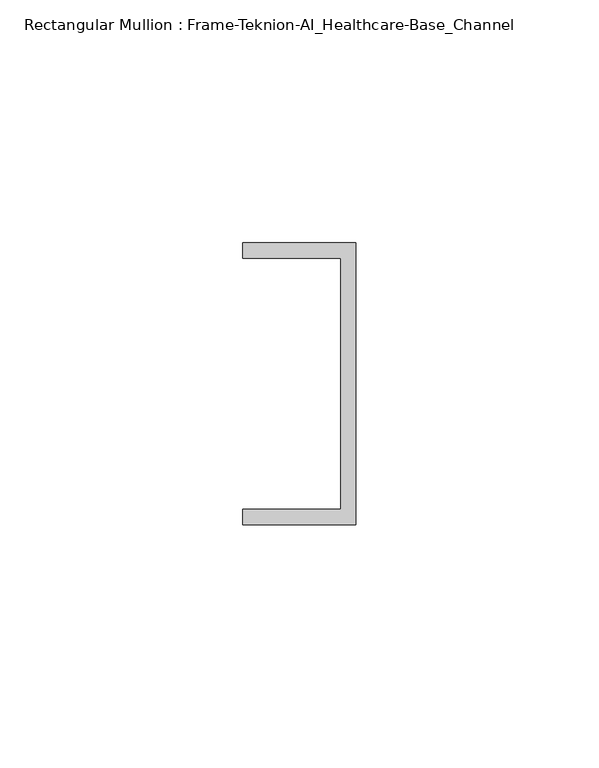
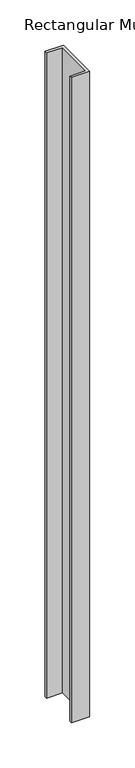
"""IFC4 building model written with IfcOpenShell, lengths in millimetres: member geometry, Rectangular Mullion : Frame-Teknion-AI_Healthcare-Base_Channel."""

from ifc_helpers import new_model, si_unit, frame, origin, place, context, project, spatial, polyline, outline, extrude, source, transform, mapped, element, save


def rectangular_mullion_frame_teknion_ai_healthcare_base_channel_430e7638(model_context):
    return source(origin(), model_context, "Body", "SweptSolid", [
        extrude(outline(polyline([(0.0, -29.0214844), (-23.3164063, -29.0214844), (-23.3164063, -25.8464844), (-3.175, -25.8464844), (-3.175, 25.8464844), (-23.3164063, 25.8464844), (-23.3164063, 29.0214844), (0.0, 29.0214844), (0.0, -29.0214844)])), frame((0.0, 0.0, -869.5877472), z_axis=(0.0, 0.0, 1.0), x_axis=(1.0, 0.0, 0.0)), (0.0, 0.0, 1.0), 869.5877472),
    ])


if __name__ == "__main__":
    model = new_model("IFC4")
    model_context = context("Model", 3, world=origin())
    ifc_project = project(units=[si_unit("LENGTHUNIT", "METRE", prefix="MILLI")], contexts=[model_context])
    site = spatial("IfcSite", under=ifc_project)
    building = spatial("IfcBuilding", under=site)
    placement = place(None, origin())
    rectangular_mullion_frame_teknion_ai_healthcare_base_channel_shape = rectangular_mullion_frame_teknion_ai_healthcare_base_channel_430e7638(model_context)
    element("IfcMember", 1, ObjectType="Rectangular Mullion : Frame-Teknion-AI_Healthcare-Base_Channel", at=placement, inside=building, context=model_context, shape_type="MappedRepresentation", body=[
        mapped(rectangular_mullion_frame_teknion_ai_healthcare_base_channel_shape, transform((0.0, 0.0, 0.0), x_axis=(1.0, 0.0, 0.0), y_axis=(0.0, 1.0, 0.0), z_axis=(0.0, 0.0, 1.0))),
    ])
    save(model, "model.ifc")
